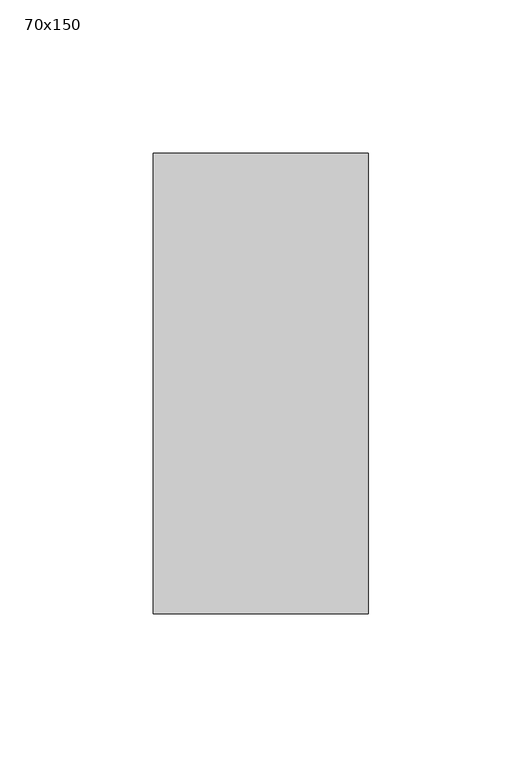
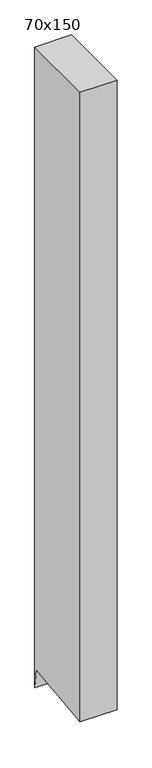
"""IFC4 building model written with IfcOpenShell, lengths in millimetres: member geometry, 70x150."""

from ifc_helpers import new_model, si_unit, frame, origin, place, context, project, spatial, polyline, outline, extrude, source, transform, mapped, element, save


def member_70x150_020e1844(model_context):
    return source(origin(), model_context, "Body", "SweptSolid", [
        extrude(outline(polyline([(-75.0, 0.0), (75.0, 0.0), (75.0, -1288.2491282), (70.6798324, -1249.337525), (-75.0, -1265.5116542), (-75.0, 0.0)])), frame((-70.0, 0.0, 0.0), z_axis=(1.0, 0.0, 0.0), x_axis=(0.0, 1.0, 0.0)), (0.0, 0.0, 1.0), 70.0),
    ])


if __name__ == "__main__":
    model = new_model("IFC4")
    model_context = context("Model", 3, world=origin())
    ifc_project = project(units=[si_unit("LENGTHUNIT", "METRE", prefix="MILLI")], contexts=[model_context])
    site = spatial("IfcSite", under=ifc_project)
    building = spatial("IfcBuilding", under=site)
    placement = place(None, origin())
    member_70x150_shape = member_70x150_020e1844(model_context)
    element("IfcMember", 1, ObjectType="70x150", at=placement, inside=building, context=model_context, shape_type="MappedRepresentation", body=[
        mapped(member_70x150_shape, transform((0.0, 0.0, 0.0), x_axis=(1.0, 0.0, 0.0), y_axis=(0.0, 1.0, 0.0), z_axis=(0.0, 0.0, 1.0))),
    ])
    save(model, "model.ifc")
